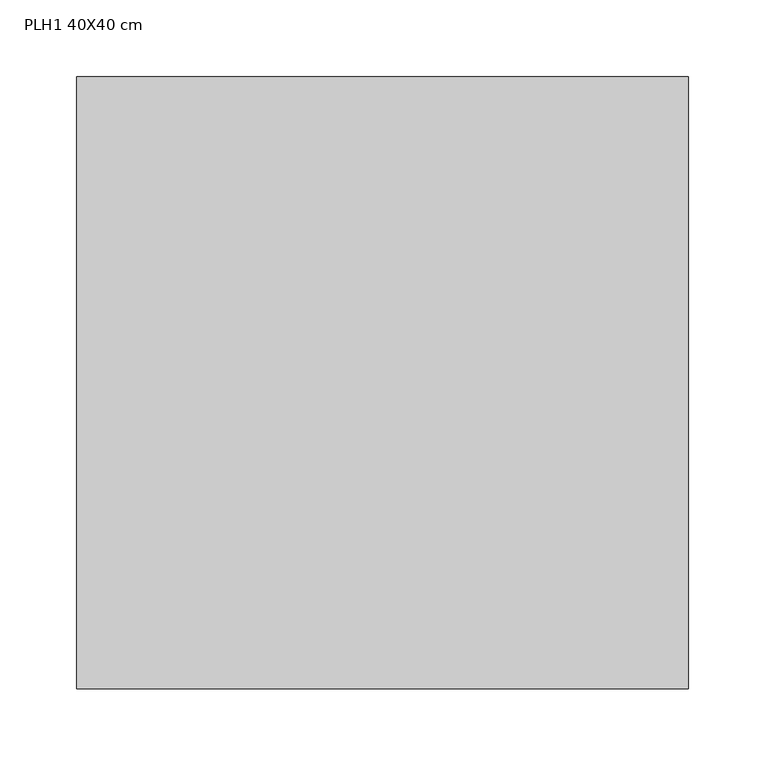
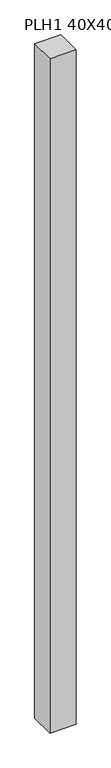
"""IFC4 building model written with IfcOpenShell, lengths in millimetres: column geometry, PLH1 40X40 cm."""

import ifcopenshell
import ifcopenshell.guid

model = None  # the IFC model being written
_history = None  # IfcOwnerHistory: only IFC2X3 demands one
_inside = {}  # id of a spatial element -> (the spatial element, [elements in it])
_under = {}  # id of a project, library or spatial element -> (it, [spatial elements below it])
_declared = {}  # id of a project -> (the project, [libraries it declares])
_typed = {}  # id of a type object -> (the type object, [elements of that type])
_made_of = {}  # id of a material, layer set ... -> (it, [elements and type objects made of it])


def new_model(schema):
    """Start an empty IFC model of exactly this schema.

    Asked for "IFC4X3", IfcOpenShell would pick the latest addendum, in which some entities
    have other attributes; the version numbers below select the first issue.
    IFC2X3 requires an IfcOwnerHistory on every rooted entity: one is made here for all.
    """
    global model, _history
    if schema == "IFC4X3":
        model = ifcopenshell.file(schema_version=(4, 3, 0, 0))
    else:
        model = ifcopenshell.file(schema=schema)
    _inside.clear()
    _under.clear()
    _declared.clear()
    _typed.clear()
    _made_of.clear()
    _history = None
    if model.schema == "IFC2X3":
        org = make("IfcOrganization", Name="unknown")
        user = make(
            "IfcPersonAndOrganization",
            ThePerson=make("IfcPerson", FamilyName="unknown"),
            TheOrganization=org,
        )
        app = make(
            "IfcApplication",
            ApplicationDeveloper=org,
            Version="unknown",
            ApplicationFullName="unknown",
            ApplicationIdentifier="unknown",
        )
        _history = make(
            "IfcOwnerHistory",
            OwningUser=user,
            OwningApplication=app,
            ChangeAction="ADDED",
            CreationDate=0,
        )
    return model


def make(cls, **values):
    """One entity of the class cls with the attributes given. An attribute that is None is left unset."""
    return model.create_entity(
        cls, **{name: value for name, value in values.items() if value is not None}
    )


def rooted(cls, **values):
    """An entity with a GlobalId (a new one), such as an element, a storey or a relation."""
    return make(cls, GlobalId=ifcopenshell.guid.new(), OwnerHistory=_history, **values)


def si_unit(unit_type, name, prefix=None):
    """IfcSIUnit, for example si_unit("LENGTHUNIT", "METRE", prefix="MILLI")."""
    return make("IfcSIUnit", UnitType=unit_type, Prefix=prefix, Name=name)


def assignment(units):
    """IfcUnitAssignment: the units of a project."""
    return None if units is None else make("IfcUnitAssignment", Units=units)


def point(xyz):
    """IfcCartesianPoint."""
    return None if xyz is None else make("IfcCartesianPoint", Coordinates=xyz)


def direction(xyz):
    """IfcDirection."""
    return None if xyz is None else make("IfcDirection", DirectionRatios=xyz)


def frame(location, z_axis=None, x_axis=None):
    """IfcAxis2Placement3D, a coordinate frame: its origin and axes. An axis left out is left unset."""
    return make(
        "IfcAxis2Placement3D",
        Location=point(location),
        Axis=direction(z_axis),
        RefDirection=direction(x_axis),
    )


def origin():
    """The frame at (0, 0, 0) with its axes left unset."""
    return frame((0.0, 0.0, 0.0))


def origin_with_axes():
    """The frame at (0, 0, 0) with the z axis (0, 0, 1) and the x axis (1, 0, 0) written out."""
    return frame((0.0, 0.0, 0.0), z_axis=(0.0, 0.0, 1.0), x_axis=(1.0, 0.0, 0.0))


def place(relative_to, where):
    """IfcLocalPlacement: puts the frame where relative to a parent placement (None: the world)."""
    return make(
        "IfcLocalPlacement", PlacementRelTo=relative_to, RelativePlacement=where
    )


def context(
    kind, dimensions, precision=None, world=None, true_north=None, identifier=None
):
    """IfcGeometricRepresentationContext, for example the 3D "Model" context."""
    return make(
        "IfcGeometricRepresentationContext",
        ContextIdentifier=identifier,
        ContextType=kind,
        CoordinateSpaceDimension=dimensions,
        Precision=precision,
        WorldCoordinateSystem=world,
        TrueNorth=true_north,
    )


def project(units=None, contexts=None):
    """IfcProject with its units and contexts."""
    return rooted(
        "IfcProject",
        Name="project",
        RepresentationContexts=contexts,
        UnitsInContext=assignment(units),
    )


def spatial(cls, under=None, at=None, **own):
    """A site, building, storey or space (cls), placed at a placement, below another one or the project."""
    s = rooted(cls, ObjectPlacement=at, **own)
    if under is not None:
        _under.setdefault(under.id(), (under, []))[1].append(s)
    return s


def polyline(points):
    """IfcPolyline through the points."""
    return make("IfcPolyline", Points=[point(p) for p in points])


def outline(outer, holes=None, kind="AREA"):
    """IfcArbitraryClosedProfileDef: a profile drawn as a closed curve; with holes, ...WithVoids."""
    if holes is None:
        return make("IfcArbitraryClosedProfileDef", ProfileType=kind, OuterCurve=outer)
    return make(
        "IfcArbitraryProfileDefWithVoids",
        ProfileType=kind,
        OuterCurve=outer,
        InnerCurves=holes,
    )


def extrude(swept, where, along, depth):
    """IfcExtrudedAreaSolid: the profile swept, set in the frame where, extruded along a direction by depth."""
    return make(
        "IfcExtrudedAreaSolid",
        SweptArea=swept,
        Position=where,
        ExtrudedDirection=direction(along),
        Depth=depth,
    )


def shape(context_of_items, identifier, shape_type, items):
    """IfcShapeRepresentation: the items that make up one representation, for example the "Body"."""
    return make(
        "IfcShapeRepresentation",
        ContextOfItems=context_of_items,
        RepresentationIdentifier=identifier,
        RepresentationType=shape_type,
        Items=items,
    )


def source(mapping_origin, context_of_items, identifier, shape_type, items):
    """IfcRepresentationMap: a shape defined once, which mapped items show again and again."""
    return make(
        "IfcRepresentationMap",
        MappingOrigin=mapping_origin,
        MappedRepresentation=shape(context_of_items, identifier, shape_type, items),
    )


def transform(
    local_origin,
    x_axis=None,
    y_axis=None,
    z_axis=None,
    scale=None,
    scale2=None,
    scale3=None,
    uniform=True,
):
    """IfcCartesianTransformationOperator3D, or its non-uniform kind. x_axis, y_axis, z_axis: its Axis1, 2, 3."""
    if uniform:
        return make(
            "IfcCartesianTransformationOperator3D",
            Axis1=direction(x_axis),
            Axis2=direction(y_axis),
            LocalOrigin=point(local_origin),
            Scale=scale,
            Axis3=direction(z_axis),
        )
    return make(
        "IfcCartesianTransformationOperator3DnonUniform",
        Axis1=direction(x_axis),
        Axis2=direction(y_axis),
        LocalOrigin=point(local_origin),
        Scale=scale,
        Axis3=direction(z_axis),
        Scale2=scale2,
        Scale3=scale3,
    )


def mapped(mapping_source, mapping_target):
    """IfcMappedItem: shows the shape of a source again, moved by a transform."""
    return make(
        "IfcMappedItem", MappingSource=mapping_source, MappingTarget=mapping_target
    )


def made_of(thing, what):
    """Note that an element or type object is made of a material, layer set ...; save() writes the relation."""
    if what is not None:
        _made_of.setdefault(what.id(), (what, []))[1].append(thing)
    return thing


def element(
    cls,
    number,
    at=None,
    inside=None,
    cuts=None,
    type_object=None,
    material=None,
    context=None,
    identifier="Body",
    shape_type=None,
    held_by="IfcProductDefinitionShape",
    body=None,
    shapes=None,
    **own,
):
    """One element of the class cls, such as IfcWall. Its Tag is "e" and its number.

    at: its placement. inside: the storey or other place that contains it. cuts: it is an
    opening in that element (IfcRelVoidsElement). A single representation is given by context,
    identifier, shape_type and body (its items); several are given by shapes. held_by: the class
    of the entity that holds the representations. save() writes the other relations.
    """
    e = rooted(cls, Tag="e%d" % number, ObjectPlacement=at, **own)
    if body is not None:
        shapes = [shape(context, identifier, shape_type, body)]
    if shapes is not None:
        e.Representation = make(held_by, Representations=shapes)
    if inside is not None:
        _inside.setdefault(inside.id(), (inside, []))[1].append(e)
    if cuts is not None:
        rooted(
            "IfcRelVoidsElement", RelatingBuildingElement=cuts, RelatedOpeningElement=e
        )
    if type_object is not None:
        _typed.setdefault(type_object.id(), (type_object, []))[1].append(e)
    return made_of(e, material)


def aggregate(whole, parts):
    """IfcRelAggregates: a whole, such as a stair, and the parts it consists of."""
    return rooted("IfcRelAggregates", RelatingObject=whole, RelatedObjects=parts)


def save(model, path):
    """Write the relations noted so far, then the file.

    IfcRelAggregates (storeys below a building ...), IfcRelContainedInSpatialStructure (elements
    in a storey), IfcRelDefinesByType, IfcRelAssociatesMaterial and IfcRelDeclares: one each for
    every whole, place, type object, material and project.
    """
    for whole, parts in _under.values():
        aggregate(whole, parts)
    for where, things in _inside.values():
        rooted(
            "IfcRelContainedInSpatialStructure",
            RelatedElements=things,
            RelatingStructure=where,
        )
    for kind, things in _typed.values():
        rooted("IfcRelDefinesByType", RelatedObjects=things, RelatingType=kind)
    for what, things in _made_of.values():
        rooted("IfcRelAssociatesMaterial", RelatedObjects=things, RelatingMaterial=what)
    for by, libraries in _declared.values():
        rooted("IfcRelDeclares", RelatingContext=by, RelatedDefinitions=libraries)
    model.write(path)


def plh1_40x40_cm_22df4a12(model_context):
    return source(origin(), model_context, "Body", "SweptSolid", [
        extrude(outline(polyline([(200.0, 200.0), (200.0, -200.0), (-200.0, -200.0), (-200.0, 200.0), (200.0, 200.0)])), origin_with_axes(), (0.0, 0.0, 1.0), 10840.0),
    ])


if __name__ == "__main__":
    model = new_model("IFC4")
    model_context = context("Model", 3, world=origin())
    ifc_project = project(units=[si_unit("LENGTHUNIT", "METRE", prefix="MILLI")], contexts=[model_context])
    site = spatial("IfcSite", under=ifc_project)
    building = spatial("IfcBuilding", under=site)
    placement = place(None, origin())
    plh1_40x40_cm_shape = plh1_40x40_cm_22df4a12(model_context)
    element("IfcColumn", 1, ObjectType="PLH1 40X40 cm", at=placement, inside=building, context=model_context, shape_type="MappedRepresentation", body=[
        mapped(plh1_40x40_cm_shape, transform((0.0, 0.0, 0.0), x_axis=(1.0, 0.0, 0.0), y_axis=(0.0, 1.0, 0.0), z_axis=(0.0, 0.0, 1.0))),
    ])
    save(model, "model.ifc")
